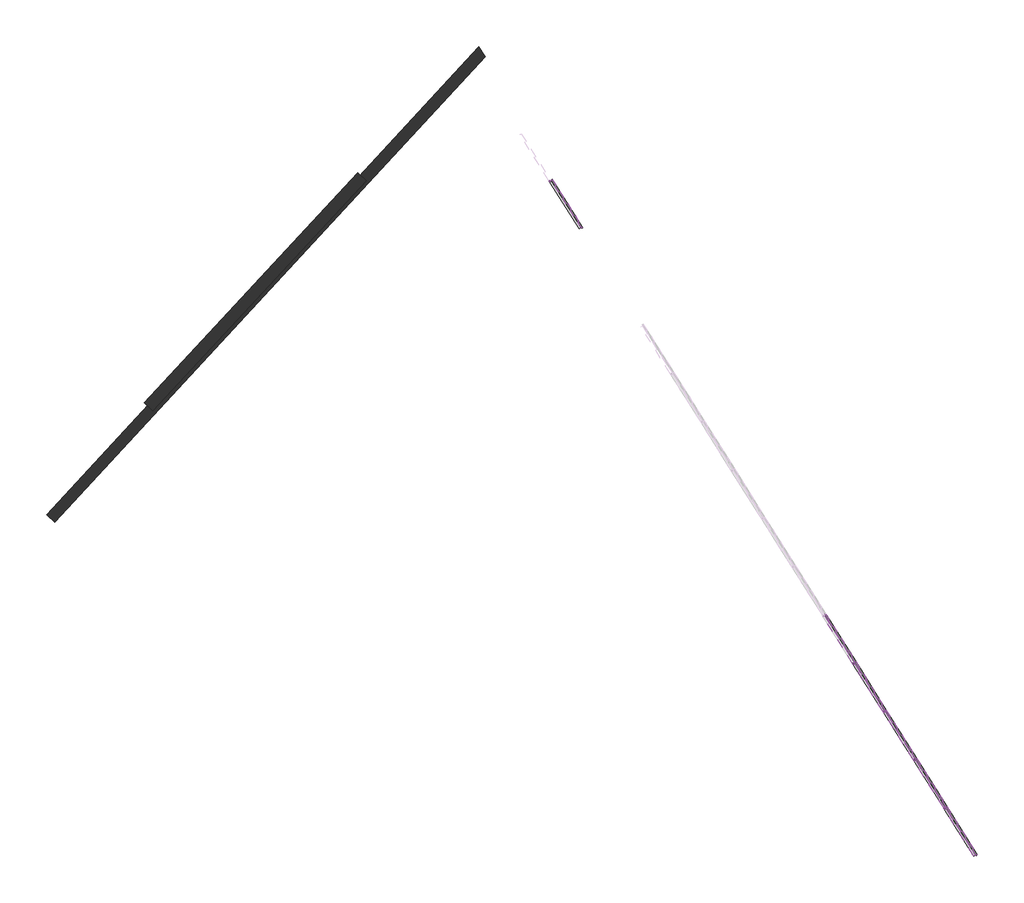
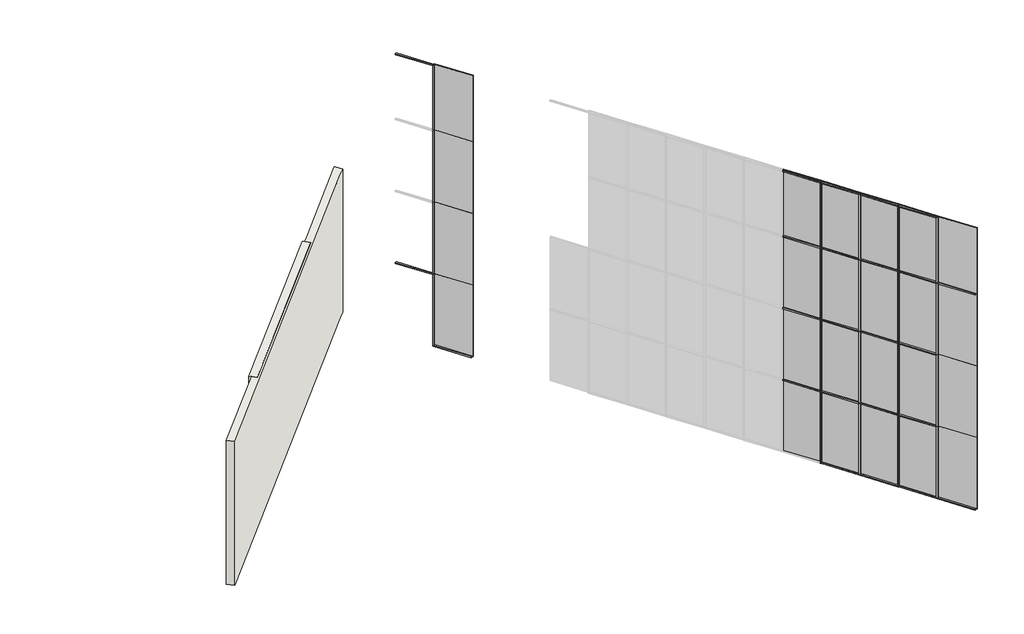
# One storey, part 3 of 36: 44 members, 24 plates, 2 walls.
"""IFC4 building model written with IfcOpenShell, lengths in millimetres."""

import ifcopenshell
import ifcopenshell.guid

model = None  # the IFC model being written
_history = None  # IfcOwnerHistory: only IFC2X3 demands one
_inside = {}  # id of a spatial element -> (the spatial element, [elements in it])
_under = {}  # id of a project, library or spatial element -> (it, [spatial elements below it])
_declared = {}  # id of a project -> (the project, [libraries it declares])
_typed = {}  # id of a type object -> (the type object, [elements of that type])
_made_of = {}  # id of a material, layer set ... -> (it, [elements and type objects made of it])


def new_model(schema):
    """Start an empty IFC model of exactly this schema.

    Asked for "IFC4X3", IfcOpenShell would pick the latest addendum, in which some entities
    have other attributes; the version numbers below select the first issue.
    IFC2X3 requires an IfcOwnerHistory on every rooted entity: one is made here for all.
    """
    global model, _history
    if schema == "IFC4X3":
        model = ifcopenshell.file(schema_version=(4, 3, 0, 0))
    else:
        model = ifcopenshell.file(schema=schema)
    _inside.clear()
    _under.clear()
    _declared.clear()
    _typed.clear()
    _made_of.clear()
    _history = None
    if model.schema == "IFC2X3":
        org = make("IfcOrganization", Name="unknown")
        user = make(
            "IfcPersonAndOrganization",
            ThePerson=make("IfcPerson", FamilyName="unknown"),
            TheOrganization=org,
        )
        app = make(
            "IfcApplication",
            ApplicationDeveloper=org,
            Version="unknown",
            ApplicationFullName="unknown",
            ApplicationIdentifier="unknown",
        )
        _history = make(
            "IfcOwnerHistory",
            OwningUser=user,
            OwningApplication=app,
            ChangeAction="ADDED",
            CreationDate=0,
        )
    return model


def make(cls, **values):
    """One entity of the class cls with the attributes given. An attribute that is None is left unset."""
    return model.create_entity(
        cls, **{name: value for name, value in values.items() if value is not None}
    )


def rooted(cls, **values):
    """An entity with a GlobalId (a new one), such as an element, a storey or a relation."""
    return make(cls, GlobalId=ifcopenshell.guid.new(), OwnerHistory=_history, **values)


def si_unit(unit_type, name, prefix=None):
    """IfcSIUnit, for example si_unit("LENGTHUNIT", "METRE", prefix="MILLI")."""
    return make("IfcSIUnit", UnitType=unit_type, Prefix=prefix, Name=name)


def assignment(units):
    """IfcUnitAssignment: the units of a project."""
    return None if units is None else make("IfcUnitAssignment", Units=units)


def point(xyz):
    """IfcCartesianPoint."""
    return None if xyz is None else make("IfcCartesianPoint", Coordinates=xyz)


def direction(xyz):
    """IfcDirection."""
    return None if xyz is None else make("IfcDirection", DirectionRatios=xyz)


def frame(location, z_axis=None, x_axis=None):
    """IfcAxis2Placement3D, a coordinate frame: its origin and axes. An axis left out is left unset."""
    return make(
        "IfcAxis2Placement3D",
        Location=point(location),
        Axis=direction(z_axis),
        RefDirection=direction(x_axis),
    )


def origin():
    """The frame at (0, 0, 0) with its axes left unset."""
    return frame((0.0, 0.0, 0.0))


def origin_with_axes():
    """The frame at (0, 0, 0) with the z axis (0, 0, 1) and the x axis (1, 0, 0) written out."""
    return frame((0.0, 0.0, 0.0), z_axis=(0.0, 0.0, 1.0), x_axis=(1.0, 0.0, 0.0))


def place(relative_to, where):
    """IfcLocalPlacement: puts the frame where relative to a parent placement (None: the world)."""
    return make(
        "IfcLocalPlacement", PlacementRelTo=relative_to, RelativePlacement=where
    )


def context(
    kind, dimensions, precision=None, world=None, true_north=None, identifier=None
):
    """IfcGeometricRepresentationContext, for example the 3D "Model" context."""
    return make(
        "IfcGeometricRepresentationContext",
        ContextIdentifier=identifier,
        ContextType=kind,
        CoordinateSpaceDimension=dimensions,
        Precision=precision,
        WorldCoordinateSystem=world,
        TrueNorth=true_north,
    )


def project(units=None, contexts=None):
    """IfcProject with its units and contexts."""
    return rooted(
        "IfcProject",
        Name="project",
        RepresentationContexts=contexts,
        UnitsInContext=assignment(units),
    )


def spatial(cls, under=None, at=None, **own):
    """A site, building, storey or space (cls), placed at a placement, below another one or the project."""
    s = rooted(cls, ObjectPlacement=at, **own)
    if under is not None:
        _under.setdefault(under.id(), (under, []))[1].append(s)
    return s


def polyline(points):
    """IfcPolyline through the points."""
    return make("IfcPolyline", Points=[point(p) for p in points])


def outline(outer, holes=None, kind="AREA"):
    """IfcArbitraryClosedProfileDef: a profile drawn as a closed curve; with holes, ...WithVoids."""
    if holes is None:
        return make("IfcArbitraryClosedProfileDef", ProfileType=kind, OuterCurve=outer)
    return make(
        "IfcArbitraryProfileDefWithVoids",
        ProfileType=kind,
        OuterCurve=outer,
        InnerCurves=holes,
    )


def extrude(swept, where, along, depth):
    """IfcExtrudedAreaSolid: the profile swept, set in the frame where, extruded along a direction by depth."""
    return make(
        "IfcExtrudedAreaSolid",
        SweptArea=swept,
        Position=where,
        ExtrudedDirection=direction(along),
        Depth=depth,
    )


def faces_of(points, faces, orient=None, outer=None):
    """IfcFace entities. A face is a list of loops; a loop is a list of indices into points, from 0.

    orient and outer hold one flag for each loop. By default every Orientation is true, the
    first loop of a face is its IfcFaceOuterBound and the others are IfcFaceBound.
    """
    made = []
    for i, loops in enumerate(faces):
        bounds = []
        for j, loop in enumerate(loops):
            is_outer = j == 0 if outer is None else outer[i][j]
            bounds.append(
                make(
                    "IfcFaceOuterBound" if is_outer else "IfcFaceBound",
                    Bound=make("IfcPolyLoop", Polygon=[points[k] for k in loop]),
                    Orientation=True if orient is None else orient[i][j],
                )
            )
        made.append(make("IfcFace", Bounds=bounds))
    return made


def faceted_brep(points, faces, orient=None, outer=None, voids=None):
    """IfcFacetedBrep: a solid bounded by flat faces; with voids (closed shells), ...WithVoids."""
    shared = [point(p) for p in points]
    hull = make("IfcClosedShell", CfsFaces=faces_of(shared, faces, orient, outer))
    if voids is None:
        return make("IfcFacetedBrep", Outer=hull)
    return make(
        "IfcFacetedBrepWithVoids",
        Outer=hull,
        Voids=[
            make(cls, CfsFaces=faces_of(shared, fs, o, b)) for cls, fs, o, b in voids
        ],
    )


def shape(context_of_items, identifier, shape_type, items):
    """IfcShapeRepresentation: the items that make up one representation, for example the "Body"."""
    return make(
        "IfcShapeRepresentation",
        ContextOfItems=context_of_items,
        RepresentationIdentifier=identifier,
        RepresentationType=shape_type,
        Items=items,
    )


def source(mapping_origin, context_of_items, identifier, shape_type, items):
    """IfcRepresentationMap: a shape defined once, which mapped items show again and again."""
    return make(
        "IfcRepresentationMap",
        MappingOrigin=mapping_origin,
        MappedRepresentation=shape(context_of_items, identifier, shape_type, items),
    )


def transform(
    local_origin,
    x_axis=None,
    y_axis=None,
    z_axis=None,
    scale=None,
    scale2=None,
    scale3=None,
    uniform=True,
):
    """IfcCartesianTransformationOperator3D, or its non-uniform kind. x_axis, y_axis, z_axis: its Axis1, 2, 3."""
    if uniform:
        return make(
            "IfcCartesianTransformationOperator3D",
            Axis1=direction(x_axis),
            Axis2=direction(y_axis),
            LocalOrigin=point(local_origin),
            Scale=scale,
            Axis3=direction(z_axis),
        )
    return make(
        "IfcCartesianTransformationOperator3DnonUniform",
        Axis1=direction(x_axis),
        Axis2=direction(y_axis),
        LocalOrigin=point(local_origin),
        Scale=scale,
        Axis3=direction(z_axis),
        Scale2=scale2,
        Scale3=scale3,
    )


def mapped(mapping_source, mapping_target):
    """IfcMappedItem: shows the shape of a source again, moved by a transform."""
    return make(
        "IfcMappedItem", MappingSource=mapping_source, MappingTarget=mapping_target
    )


def made_of(thing, what):
    """Note that an element or type object is made of a material, layer set ...; save() writes the relation."""
    if what is not None:
        _made_of.setdefault(what.id(), (what, []))[1].append(thing)
    return thing


def element(
    cls,
    number,
    at=None,
    inside=None,
    cuts=None,
    type_object=None,
    material=None,
    context=None,
    identifier="Body",
    shape_type=None,
    held_by="IfcProductDefinitionShape",
    body=None,
    shapes=None,
    **own,
):
    """One element of the class cls, such as IfcWall. Its Tag is "e" and its number.

    at: its placement. inside: the storey or other place that contains it. cuts: it is an
    opening in that element (IfcRelVoidsElement). A single representation is given by context,
    identifier, shape_type and body (its items); several are given by shapes. held_by: the class
    of the entity that holds the representations. save() writes the other relations.
    """
    e = rooted(cls, Tag="e%d" % number, ObjectPlacement=at, **own)
    if body is not None:
        shapes = [shape(context, identifier, shape_type, body)]
    if shapes is not None:
        e.Representation = make(held_by, Representations=shapes)
    if inside is not None:
        _inside.setdefault(inside.id(), (inside, []))[1].append(e)
    if cuts is not None:
        rooted(
            "IfcRelVoidsElement", RelatingBuildingElement=cuts, RelatedOpeningElement=e
        )
    if type_object is not None:
        _typed.setdefault(type_object.id(), (type_object, []))[1].append(e)
    return made_of(e, material)


def aggregate(whole, parts):
    """IfcRelAggregates: a whole, such as a stair, and the parts it consists of."""
    return rooted("IfcRelAggregates", RelatingObject=whole, RelatedObjects=parts)


def save(model, path):
    """Write the relations noted so far, then the file.

    IfcRelAggregates (storeys below a building ...), IfcRelContainedInSpatialStructure (elements
    in a storey), IfcRelDefinesByType, IfcRelAssociatesMaterial and IfcRelDeclares: one each for
    every whole, place, type object, material and project.
    """
    for whole, parts in _under.values():
        aggregate(whole, parts)
    for where, things in _inside.values():
        rooted(
            "IfcRelContainedInSpatialStructure",
            RelatedElements=things,
            RelatingStructure=where,
        )
    for kind, things in _typed.values():
        rooted("IfcRelDefinesByType", RelatedObjects=things, RelatingType=kind)
    for what, things in _made_of.values():
        rooted("IfcRelAssociatesMaterial", RelatedObjects=things, RelatingMaterial=what)
    for by, libraries in _declared.values():
        rooted("IfcRelDeclares", RelatingContext=by, RelatedDefinitions=libraries)
    model.write(path)


def rectangular_mullion_30mm_square_1a264fd7(model_context):
    return source(origin(), model_context, "Body", "SweptSolid", [
        extrude(outline(polyline([(15.0, 15.0), (15.0, -15.0), (-15.0, -15.0), (-15.0, 15.0), (15.0, 15.0)])), frame((0.0, 0.0, -2000.0), z_axis=(0.0, 0.0, 1.0), x_axis=(1.0, 0.0, 0.0)), (0.0, 0.0, 1.0), 2000.0),
    ])


def rectangular_mullion_30mm_square_91e58ac2(model_context):
    return source(origin(), model_context, "Body", "SweptSolid", [
        extrude(outline(polyline([(15.0, 15.0), (15.0, -15.0), (-15.0, -15.0), (-15.0, 15.0), (15.0, 15.0)])), frame((0.0, 0.0, -1830.508389), z_axis=(0.0, 0.0, 1.0), x_axis=(1.0, 0.0, 0.0)), (0.0, 0.0, 1.0), 1830.508389),
    ])


def rectangular_mullion_30mm_square_7b7a56d5(model_context):
    return source(origin(), model_context, "Body", "SweptSolid", [
        extrude(outline(polyline([(0.0, 15.0), (0.0, -15.0), (-30.0, -15.0), (-30.0, 15.0), (0.0, 15.0)])), frame((0.0, 0.0, -954.0188131), z_axis=(0.0, 0.0, 1.0), x_axis=(1.0, 0.0, 0.0)), (0.0, 0.0, 1.0), 954.0188131),
    ])


def rectangular_mullion_30mm_square_c7103466(model_context):
    return source(origin(), model_context, "Body", "SweptSolid", [
        extrude(outline(polyline([(0.0, 15.0), (0.0, -15.0), (-30.0, -15.0), (-30.0, 15.0), (0.0, 15.0)])), frame((0.0, 0.0, -969.0188131), z_axis=(0.0, 0.0, 1.0), x_axis=(1.0, 0.0, 0.0)), (0.0, 0.0, 1.0), 969.0188131),
    ])


def rectangular_mullion_30mm_square_0cb5213b(model_context):
    return source(origin(), model_context, "Body", "SweptSolid", [
        extrude(outline(polyline([(15.0, 15.0), (15.0, -15.0), (-15.0, -15.0), (-15.0, 15.0), (15.0, 15.0)])), frame((0.0, 0.0, -954.0188131), z_axis=(0.0, 0.0, 1.0), x_axis=(1.0, 0.0, 0.0)), (0.0, 0.0, 1.0), 954.0188131),
    ])


def rectangular_mullion_30mm_square_aed851f2(model_context):
    return source(origin(), model_context, "Body", "SweptSolid", [
        extrude(outline(polyline([(15.0, 15.0), (15.0, -15.0), (-15.0, -15.0), (-15.0, 15.0), (15.0, 15.0)])), frame((0.0, 0.0, -969.0188131), z_axis=(0.0, 0.0, 1.0), x_axis=(1.0, 0.0, 0.0)), (0.0, 0.0, 1.0), 969.0188131),
    ])


def system_panel_glazed_fd864b26(model_context):
    return source(origin(), model_context, "Body", "SweptSolid", [
        extrude(outline(polyline([(499.5094065, 24.5), (-499.5094065, 24.5), (-499.5094065, 49.5), (499.5094065, 49.5), (499.5094065, 24.5)])), origin_with_axes(), (0.0, 0.0, 1.0), 2000.0),
    ])


def system_panel_glazed_04054942(model_context):
    return source(origin(), model_context, "Body", "SweptSolid", [
        extrude(outline(polyline([(499.5094065, 24.5), (-499.5094065, 24.5), (-499.5094065, 49.5), (499.5094065, 49.5), (499.5094065, 24.5)])), origin_with_axes(), (0.0, 0.0, 1.0), 1830.508389),
    ])


model = new_model("IFC4")

# Units and contexts
model_context = context("Model", 3, world=origin())
ifc_project = project(units=[si_unit("LENGTHUNIT", "METRE", prefix="MILLI")], contexts=[model_context])

# Site, building, storey
site = spatial("IfcSite", under=ifc_project)
building = spatial("IfcBuilding", under=site)
storey = spatial("IfcBuildingStorey", under=building, Elevation=8680.0)

# Members
placement = place(None, origin())
rectangular_mullion_30mm_square_shape = rectangular_mullion_30mm_square_1a264fd7(model_context)
element("IfcMember", 1, ObjectType="Rectangular Mullion : 30mm Square", at=placement, inside=storey, context=model_context, shape_type="MappedRepresentation", body=[
    mapped(rectangular_mullion_30mm_square_shape, transform((-216353.3182741, -343.0017182, 8680.0), x_axis=(0.5325147689769961, -0.846420711479449, 0.0), y_axis=(-0.846420711479449, -0.5325147689769961, 0.0), z_axis=(0.0, 0.0, -1.0))),
])
element("IfcMember", 2, ObjectType="Rectangular Mullion : 30mm Square", at=placement, inside=storey, context=model_context, shape_type="MappedRepresentation", body=[
    mapped(rectangular_mullion_30mm_square_shape, transform((-211033.3955498, -8798.9038635, 8680.0), x_axis=(0.5325147689769961, -0.846420711479449, 0.0), y_axis=(-0.846420711479449, -0.5325147689769961, 0.0), z_axis=(0.0, 0.0, -1.0))),
])
element("IfcMember", 3, ObjectType="Rectangular Mullion : 30mm Square", at=placement, inside=storey, context=model_context, shape_type="MappedRepresentation", body=[
    mapped(rectangular_mullion_30mm_square_shape, transform((-210501.4032773, -9644.494078, 8680.0), x_axis=(0.5325147689769961, -0.846420711479449, 0.0), y_axis=(-0.846420711479449, -0.5325147689769961, 0.0), z_axis=(0.0, 0.0, -1.0))),
])
element("IfcMember", 4, ObjectType="Rectangular Mullion : 30mm Square", at=placement, inside=storey, context=model_context, shape_type="MappedRepresentation", body=[
    mapped(rectangular_mullion_30mm_square_shape, transform((-209969.4110049, -10490.0842926, 8680.0), x_axis=(0.5325147689769961, -0.846420711479449, 0.0), y_axis=(-0.846420711479449, -0.5325147689769961, 0.0), z_axis=(0.0, 0.0, -1.0))),
])
element("IfcMember", 5, ObjectType="Rectangular Mullion : 30mm Square", at=placement, inside=storey, context=model_context, shape_type="MappedRepresentation", body=[
    mapped(rectangular_mullion_30mm_square_shape, transform((-209437.4187324, -11335.6745071, 8680.0), x_axis=(0.5325147689769961, -0.846420711479449, 0.0), y_axis=(-0.846420711479449, -0.5325147689769961, 0.0), z_axis=(0.0, 0.0, -1.0))),
])
rectangular_mullion_30mm_square_2_shape = rectangular_mullion_30mm_square_91e58ac2(model_context)
element("IfcMember", 6, ObjectType="Rectangular Mullion : 30mm Square", at=placement, inside=storey, context=model_context, shape_type="MappedRepresentation", body=[
    mapped(rectangular_mullion_30mm_square_2_shape, transform((-216353.3182741, -343.0017182, 14680.0), x_axis=(0.5325147689769961, -0.846420711479449, 0.0), y_axis=(-0.846420711479449, -0.5325147689769961, 0.0), z_axis=(0.0, 0.0, -1.0))),
])
element("IfcMember", 7, ObjectType="Rectangular Mullion : 30mm Square", at=placement, inside=storey, context=model_context, shape_type="MappedRepresentation", body=[
    mapped(rectangular_mullion_30mm_square_2_shape, transform((-211033.3955498, -8798.9038635, 14680.0), x_axis=(0.5325147689769961, -0.846420711479449, 0.0), y_axis=(-0.846420711479449, -0.5325147689769961, 0.0), z_axis=(0.0, 0.0, -1.0))),
])
element("IfcMember", 8, ObjectType="Rectangular Mullion : 30mm Square", at=placement, inside=storey, context=model_context, shape_type="MappedRepresentation", body=[
    mapped(rectangular_mullion_30mm_square_2_shape, transform((-210501.4032773, -9644.494078, 14680.0), x_axis=(0.5325147689769961, -0.846420711479449, 0.0), y_axis=(-0.846420711479449, -0.5325147689769961, 0.0), z_axis=(0.0, 0.0, -1.0))),
])
element("IfcMember", 9, ObjectType="Rectangular Mullion : 30mm Square", at=placement, inside=storey, context=model_context, shape_type="MappedRepresentation", body=[
    mapped(rectangular_mullion_30mm_square_2_shape, transform((-209969.4110049, -10490.0842926, 14680.0), x_axis=(0.5325147689769961, -0.846420711479449, 0.0), y_axis=(-0.846420711479449, -0.5325147689769961, 0.0), z_axis=(0.0, 0.0, -1.0))),
])
element("IfcMember", 10, ObjectType="Rectangular Mullion : 30mm Square", at=placement, inside=storey, context=model_context, shape_type="MappedRepresentation", body=[
    mapped(rectangular_mullion_30mm_square_2_shape, transform((-209437.4187324, -11335.6745071, 14680.0), x_axis=(0.5325147689769961, -0.846420711479449, 0.0), y_axis=(-0.846420711479449, -0.5325147689769961, 0.0), z_axis=(0.0, 0.0, -1.0))),
])
element("IfcMember", 11, ObjectType="Rectangular Mullion : 30mm Square", at=placement, inside=storey, context=model_context, shape_type="MappedRepresentation", body=[
    mapped(rectangular_mullion_30mm_square_shape, transform((-216353.3182741, -343.0017182, 10680.0), x_axis=(0.5325147689769961, -0.846420711479449, 0.0), y_axis=(-0.846420711479449, -0.5325147689769961, 0.0), z_axis=(0.0, 0.0, -1.0))),
])
element("IfcMember", 12, ObjectType="Rectangular Mullion : 30mm Square", at=placement, inside=storey, context=model_context, shape_type="MappedRepresentation", body=[
    mapped(rectangular_mullion_30mm_square_shape, transform((-211033.3955498, -8798.9038635, 10680.0), x_axis=(0.5325147689769961, -0.846420711479449, 0.0), y_axis=(-0.846420711479449, -0.5325147689769961, 0.0), z_axis=(0.0, 0.0, -1.0))),
])
element("IfcMember", 13, ObjectType="Rectangular Mullion : 30mm Square", at=placement, inside=storey, context=model_context, shape_type="MappedRepresentation", body=[
    mapped(rectangular_mullion_30mm_square_shape, transform((-210501.4032773, -9644.494078, 10680.0), x_axis=(0.5325147689769961, -0.846420711479449, 0.0), y_axis=(-0.846420711479449, -0.5325147689769961, 0.0), z_axis=(0.0, 0.0, -1.0))),
])
element("IfcMember", 14, ObjectType="Rectangular Mullion : 30mm Square", at=placement, inside=storey, context=model_context, shape_type="MappedRepresentation", body=[
    mapped(rectangular_mullion_30mm_square_shape, transform((-209969.4110049, -10490.0842926, 10680.0), x_axis=(0.5325147689769961, -0.846420711479449, 0.0), y_axis=(-0.846420711479449, -0.5325147689769961, 0.0), z_axis=(0.0, 0.0, -1.0))),
])
element("IfcMember", 15, ObjectType="Rectangular Mullion : 30mm Square", at=placement, inside=storey, context=model_context, shape_type="MappedRepresentation", body=[
    mapped(rectangular_mullion_30mm_square_shape, transform((-209437.4187324, -11335.6745071, 10680.0), x_axis=(0.5325147689769961, -0.846420711479449, 0.0), y_axis=(-0.846420711479449, -0.5325147689769961, 0.0), z_axis=(0.0, 0.0, -1.0))),
])
element("IfcMember", 16, ObjectType="Rectangular Mullion : 30mm Square", at=placement, inside=storey, context=model_context, shape_type="MappedRepresentation", body=[
    mapped(rectangular_mullion_30mm_square_shape, transform((-216353.3182741, -343.0017182, 12680.0), x_axis=(0.5325147689769961, -0.846420711479449, 0.0), y_axis=(-0.846420711479449, -0.5325147689769961, 0.0), z_axis=(0.0, 0.0, -1.0))),
])
element("IfcMember", 17, ObjectType="Rectangular Mullion : 30mm Square", at=placement, inside=storey, context=model_context, shape_type="MappedRepresentation", body=[
    mapped(rectangular_mullion_30mm_square_shape, transform((-211033.3955498, -8798.9038635, 12680.0), x_axis=(0.5325147689769961, -0.846420711479449, 0.0), y_axis=(-0.846420711479449, -0.5325147689769961, 0.0), z_axis=(0.0, 0.0, -1.0))),
])
element("IfcMember", 18, ObjectType="Rectangular Mullion : 30mm Square", at=placement, inside=storey, context=model_context, shape_type="MappedRepresentation", body=[
    mapped(rectangular_mullion_30mm_square_shape, transform((-210501.4032773, -9644.494078, 12680.0), x_axis=(0.5325147689769961, -0.846420711479449, 0.0), y_axis=(-0.846420711479449, -0.5325147689769961, 0.0), z_axis=(0.0, 0.0, -1.0))),
])
element("IfcMember", 19, ObjectType="Rectangular Mullion : 30mm Square", at=placement, inside=storey, context=model_context, shape_type="MappedRepresentation", body=[
    mapped(rectangular_mullion_30mm_square_shape, transform((-209969.4110049, -10490.0842926, 12680.0), x_axis=(0.5325147689769961, -0.846420711479449, 0.0), y_axis=(-0.846420711479449, -0.5325147689769961, 0.0), z_axis=(0.0, 0.0, -1.0))),
])
element("IfcMember", 20, ObjectType="Rectangular Mullion : 30mm Square", at=placement, inside=storey, context=model_context, shape_type="MappedRepresentation", body=[
    mapped(rectangular_mullion_30mm_square_shape, transform((-209437.4187324, -11335.6745071, 12680.0), x_axis=(0.5325147689769961, -0.846420711479449, 0.0), y_axis=(-0.846420711479449, -0.5325147689769961, 0.0), z_axis=(0.0, 0.0, -1.0))),
])
rectangular_mullion_30mm_square_3_shape = rectangular_mullion_30mm_square_7b7a56d5(model_context)
element("IfcMember", 21, ObjectType="Rectangular Mullion : 30mm Square", at=placement, inside=storey, context=model_context, shape_type="MappedRepresentation", body=[
    mapped(rectangular_mullion_30mm_square_3_shape, transform((-216361.3059957, -330.3054076, 16510.508389), x_axis=(0.0, 0.0, 1.0), y_axis=(-0.8464207114794449, -0.5325147689770025, 0.0), z_axis=(0.5325147689770025, -0.8464207114794449, 0.0))),
])
rectangular_mullion_30mm_square_4_shape = rectangular_mullion_30mm_square_c7103466(model_context)
element("IfcMember", 22, ObjectType="Rectangular Mullion : 30mm Square", at=placement, inside=storey, context=model_context, shape_type="MappedRepresentation", body=[
    mapped(rectangular_mullion_30mm_square_4_shape, transform((-211041.3832713, -8786.2075528, 16510.508389), x_axis=(0.0, 0.0, 1.0), y_axis=(-0.846420711479448, -0.5325147689769978, 0.0), z_axis=(0.5325147689769977, -0.8464207114794479, 0.0))),
])
element("IfcMember", 23, ObjectType="Rectangular Mullion : 30mm Square", at=placement, inside=storey, context=model_context, shape_type="MappedRepresentation", body=[
    mapped(rectangular_mullion_30mm_square_4_shape, transform((-210509.3909989, -9631.7977674, 16510.508389), x_axis=(0.0, 0.0, 1.0), y_axis=(-0.8464207114794455, -0.5325147689770016, 0.0), z_axis=(0.5325147689770016, -0.8464207114794455, 0.0))),
])
element("IfcMember", 24, ObjectType="Rectangular Mullion : 30mm Square", at=placement, inside=storey, context=model_context, shape_type="MappedRepresentation", body=[
    mapped(rectangular_mullion_30mm_square_4_shape, transform((-209977.3987264, -10477.3879819, 16510.508389), x_axis=(0.0, 0.0, 1.0), y_axis=(-0.8464207114794534, -0.5325147689769889, 0.0), z_axis=(0.5325147689769889, -0.8464207114794534, 0.0))),
])
element("IfcMember", 25, ObjectType="Rectangular Mullion : 30mm Square", at=placement, inside=storey, context=model_context, shape_type="MappedRepresentation", body=[
    mapped(rectangular_mullion_30mm_square_4_shape, transform((-209445.406454, -11322.9781964, 16510.508389), x_axis=(0.0, 0.0, 1.0), y_axis=(-0.8464207114794468, -0.5325147689769997, 0.0), z_axis=(0.5325147689769996, -0.8464207114794466, 0.0))),
])
element("IfcMember", 26, ObjectType="Rectangular Mullion : 30mm Square", at=placement, inside=storey, context=model_context, shape_type="MappedRepresentation", body=[
    mapped(rectangular_mullion_30mm_square_4_shape, transform((-216345.3305526, -355.6980289, 8680.0), x_axis=(0.0, 0.0, -1.0), y_axis=(-0.8464207114794534, -0.5325147689769889, 0.0), z_axis=(-0.5325147689769889, 0.8464207114794534, 0.0))),
])
element("IfcMember", 27, ObjectType="Rectangular Mullion : 30mm Square", at=placement, inside=storey, context=model_context, shape_type="MappedRepresentation", body=[
    mapped(rectangular_mullion_30mm_square_4_shape, transform((-211025.4078282, -8811.6001742, 8680.0), x_axis=(0.0, 0.0, -1.0), y_axis=(-0.8464207114794461, -0.5325147689770006, 0.0), z_axis=(-0.5325147689770006, 0.8464207114794461, 0.0))),
])
element("IfcMember", 28, ObjectType="Rectangular Mullion : 30mm Square", at=placement, inside=storey, context=model_context, shape_type="MappedRepresentation", body=[
    mapped(rectangular_mullion_30mm_square_4_shape, transform((-210493.4155558, -9657.1903887, 8680.0), x_axis=(0.0, 0.0, -1.0), y_axis=(-0.8464207114794534, -0.5325147689769889, 0.0), z_axis=(-0.5325147689769889, 0.8464207114794534, 0.0))),
])
element("IfcMember", 29, ObjectType="Rectangular Mullion : 30mm Square", at=placement, inside=storey, context=model_context, shape_type="MappedRepresentation", body=[
    mapped(rectangular_mullion_30mm_square_4_shape, transform((-209961.4232834, -10502.7806032, 8680.0), x_axis=(0.0, 0.0, -1.0), y_axis=(-0.8464207114794473, -0.5325147689769987, 0.0), z_axis=(-0.5325147689769987, 0.8464207114794473, 0.0))),
])
element("IfcMember", 30, ObjectType="Rectangular Mullion : 30mm Square", at=placement, inside=storey, context=model_context, shape_type="MappedRepresentation", body=[
    mapped(rectangular_mullion_30mm_square_4_shape, transform((-209429.4310109, -11348.3708178, 8680.0), x_axis=(0.0, 0.0, -1.0), y_axis=(-0.8464207114794449, -0.5325147689770026, 0.0), z_axis=(-0.5325147689770026, 0.8464207114794449, 0.0))),
])
rectangular_mullion_30mm_square_5_shape = rectangular_mullion_30mm_square_0cb5213b(model_context)
element("IfcMember", 31, ObjectType="Rectangular Mullion : 30mm Square", at=placement, inside=storey, context=model_context, shape_type="MappedRepresentation", body=[
    mapped(rectangular_mullion_30mm_square_5_shape, transform((-216361.3059957, -330.3054076, 10680.0), x_axis=(0.0, 0.0, 1.0), y_axis=(-0.8464207114794454, -0.5325147689770016, 0.0), z_axis=(0.5325147689770016, -0.8464207114794454, 0.0))),
])
rectangular_mullion_30mm_square_6_shape = rectangular_mullion_30mm_square_aed851f2(model_context)
element("IfcMember", 32, ObjectType="Rectangular Mullion : 30mm Square", at=placement, inside=storey, context=model_context, shape_type="MappedRepresentation", body=[
    mapped(rectangular_mullion_30mm_square_6_shape, transform((-211041.3832713, -8786.2075528, 10680.0), x_axis=(0.0, 0.0, 1.0), y_axis=(-0.8464207114794473, -0.5325147689769987, 0.0), z_axis=(0.5325147689769987, -0.8464207114794473, 0.0))),
])
element("IfcMember", 33, ObjectType="Rectangular Mullion : 30mm Square", at=placement, inside=storey, context=model_context, shape_type="MappedRepresentation", body=[
    mapped(rectangular_mullion_30mm_square_6_shape, transform((-210509.3909989, -9631.7977674, 10680.0), x_axis=(0.0, 0.0, 1.0), y_axis=(-0.8464207114794461, -0.5325147689770006, 0.0), z_axis=(0.5325147689770006, -0.8464207114794461, 0.0))),
])
element("IfcMember", 34, ObjectType="Rectangular Mullion : 30mm Square", at=placement, inside=storey, context=model_context, shape_type="MappedRepresentation", body=[
    mapped(rectangular_mullion_30mm_square_6_shape, transform((-209977.3987264, -10477.3879819, 10680.0), x_axis=(0.0, 0.0, 1.0), y_axis=(-0.8464207114794534, -0.5325147689769889, 0.0), z_axis=(0.5325147689769889, -0.8464207114794534, 0.0))),
])
element("IfcMember", 35, ObjectType="Rectangular Mullion : 30mm Square", at=placement, inside=storey, context=model_context, shape_type="MappedRepresentation", body=[
    mapped(rectangular_mullion_30mm_square_6_shape, transform((-209445.406454, -11322.9781964, 10680.0), x_axis=(0.0, 0.0, 1.0), y_axis=(-0.8464207114794473, -0.5325147689769987, 0.0), z_axis=(0.5325147689769987, -0.8464207114794473, 0.0))),
])
element("IfcMember", 36, ObjectType="Rectangular Mullion : 30mm Square", at=placement, inside=storey, context=model_context, shape_type="MappedRepresentation", body=[
    mapped(rectangular_mullion_30mm_square_6_shape, transform((-211041.3832713, -8786.2075528, 12680.0), x_axis=(0.0, 0.0, 1.0), y_axis=(-0.8464207114794471, -0.5325147689769991, 0.0), z_axis=(0.5325147689769991, -0.8464207114794471, 0.0))),
])
element("IfcMember", 37, ObjectType="Rectangular Mullion : 30mm Square", at=placement, inside=storey, context=model_context, shape_type="MappedRepresentation", body=[
    mapped(rectangular_mullion_30mm_square_6_shape, transform((-210509.3909989, -9631.7977674, 12680.0), x_axis=(0.0, 0.0, 1.0), y_axis=(-0.8464207114794461, -0.5325147689770006, 0.0), z_axis=(0.5325147689770006, -0.8464207114794461, 0.0))),
])
element("IfcMember", 38, ObjectType="Rectangular Mullion : 30mm Square", at=placement, inside=storey, context=model_context, shape_type="MappedRepresentation", body=[
    mapped(rectangular_mullion_30mm_square_6_shape, transform((-209977.3987264, -10477.3879819, 12680.0), x_axis=(0.0, 0.0, 1.0), y_axis=(-0.8464207114794534, -0.5325147689769889, 0.0), z_axis=(0.5325147689769889, -0.8464207114794534, 0.0))),
])
element("IfcMember", 39, ObjectType="Rectangular Mullion : 30mm Square", at=placement, inside=storey, context=model_context, shape_type="MappedRepresentation", body=[
    mapped(rectangular_mullion_30mm_square_6_shape, transform((-209445.406454, -11322.9781964, 12680.0), x_axis=(0.0, 0.0, 1.0), y_axis=(-0.8464207114794473, -0.5325147689769987, 0.0), z_axis=(0.5325147689769987, -0.8464207114794473, 0.0))),
])
element("IfcMember", 40, ObjectType="Rectangular Mullion : 30mm Square", at=placement, inside=storey, context=model_context, shape_type="MappedRepresentation", body=[
    mapped(rectangular_mullion_30mm_square_6_shape, transform((-211041.3832713, -8786.2075528, 14680.0), x_axis=(0.0, 0.0, 1.0), y_axis=(-0.8464207114794471, -0.5325147689769991, 0.0), z_axis=(0.5325147689769991, -0.8464207114794471, 0.0))),
])
element("IfcMember", 41, ObjectType="Rectangular Mullion : 30mm Square", at=placement, inside=storey, context=model_context, shape_type="MappedRepresentation", body=[
    mapped(rectangular_mullion_30mm_square_6_shape, transform((-210509.3909989, -9631.7977674, 14680.0), x_axis=(0.0, 0.0, 1.0), y_axis=(-0.8464207114794461, -0.5325147689770006, 0.0), z_axis=(0.5325147689770006, -0.8464207114794461, 0.0))),
])
element("IfcMember", 42, ObjectType="Rectangular Mullion : 30mm Square", at=placement, inside=storey, context=model_context, shape_type="MappedRepresentation", body=[
    mapped(rectangular_mullion_30mm_square_6_shape, transform((-209977.3987264, -10477.3879819, 14680.0), x_axis=(0.0, 0.0, 1.0), y_axis=(-0.8464207114794534, -0.5325147689769889, 0.0), z_axis=(0.5325147689769889, -0.8464207114794534, 0.0))),
])
element("IfcMember", 43, ObjectType="Rectangular Mullion : 30mm Square", at=placement, inside=storey, context=model_context, shape_type="MappedRepresentation", body=[
    mapped(rectangular_mullion_30mm_square_6_shape, transform((-209445.406454, -11322.9781964, 14680.0), x_axis=(0.0, 0.0, 1.0), y_axis=(-0.8464207114794473, -0.5325147689769987, 0.0), z_axis=(0.5325147689769987, -0.8464207114794473, 0.0))),
])
element("IfcMember", 44, ObjectType="Rectangular Mullion : 30mm Square", at=placement, inside=storey, context=model_context, shape_type="MappedRepresentation", body=[
    mapped(rectangular_mullion_30mm_square_6_shape, transform((-208913.4141815, -12168.5684109, 14680.0), x_axis=(0.0, 0.0, 1.0), y_axis=(-0.8464207114794455, -0.5325147689770016, 0.0), z_axis=(0.5325147689770016, -0.8464207114794455, 0.0))),
])

# Plates
system_panel_glazed_shape = system_panel_glazed_fd864b26(model_context)
element("IfcPlate", 45, ObjectType="System Panel : Glazed", at=placement, inside=storey, context=model_context, shape_type="MappedRepresentation", body=[
    mapped(system_panel_glazed_shape, transform((-216087.3221379, -765.7968255, 8680.0), x_axis=(0.5325147689769961, -0.846420711479449, 0.0), y_axis=(0.846420711479449, 0.5325147689769961, 0.0), z_axis=(0.0, 0.0, 1.0))),
])
element("IfcPlate", 46, ObjectType="System Panel : Glazed", at=placement, inside=storey, context=model_context, shape_type="MappedRepresentation", body=[
    mapped(system_panel_glazed_shape, transform((-211299.391686, -8376.1087562, 8680.0), x_axis=(0.5325147689769961, -0.846420711479449, 0.0), y_axis=(0.846420711479449, 0.5325147689769961, 0.0), z_axis=(0.0, 0.0, 1.0))),
])
element("IfcPlate", 47, ObjectType="System Panel : Glazed", at=placement, inside=storey, context=model_context, shape_type="MappedRepresentation", body=[
    mapped(system_panel_glazed_shape, transform((-210767.3994135, -9221.6989708, 8680.0), x_axis=(0.5325147689769961, -0.846420711479449, 0.0), y_axis=(0.846420711479449, 0.5325147689769961, 0.0), z_axis=(0.0, 0.0, 1.0))),
])
element("IfcPlate", 48, ObjectType="System Panel : Glazed", at=placement, inside=storey, context=model_context, shape_type="MappedRepresentation", body=[
    mapped(system_panel_glazed_shape, transform((-210235.4071411, -10067.2891853, 8680.0), x_axis=(0.5325147689769961, -0.846420711479449, 0.0), y_axis=(0.846420711479449, 0.5325147689769961, 0.0), z_axis=(0.0, 0.0, 1.0))),
])
element("IfcPlate", 49, ObjectType="System Panel : Glazed", at=placement, inside=storey, context=model_context, shape_type="MappedRepresentation", body=[
    mapped(system_panel_glazed_shape, transform((-209703.4148687, -10912.8793998, 8680.0), x_axis=(0.5325147689769961, -0.846420711479449, 0.0), y_axis=(0.846420711479449, 0.5325147689769961, 0.0), z_axis=(0.0, 0.0, 1.0))),
])
element("IfcPlate", 50, ObjectType="System Panel : Glazed", at=placement, inside=storey, context=model_context, shape_type="MappedRepresentation", body=[
    mapped(system_panel_glazed_shape, transform((-209171.4225962, -11758.4696144, 8680.0), x_axis=(0.5325147689769961, -0.846420711479449, 0.0), y_axis=(0.846420711479449, 0.5325147689769961, 0.0), z_axis=(0.0, 0.0, 1.0))),
])
element("IfcPlate", 51, ObjectType="System Panel : Glazed", at=placement, inside=storey, context=model_context, shape_type="MappedRepresentation", body=[
    mapped(system_panel_glazed_shape, transform((-216087.3221379, -765.7968255, 10680.0), x_axis=(0.5325147689769961, -0.846420711479449, 0.0), y_axis=(0.846420711479449, 0.5325147689769961, 0.0), z_axis=(0.0, 0.0, 1.0))),
])
element("IfcPlate", 52, ObjectType="System Panel : Glazed", at=placement, inside=storey, context=model_context, shape_type="MappedRepresentation", body=[
    mapped(system_panel_glazed_shape, transform((-211299.391686, -8376.1087562, 10680.0), x_axis=(0.5325147689769961, -0.846420711479449, 0.0), y_axis=(0.846420711479449, 0.5325147689769961, 0.0), z_axis=(0.0, 0.0, 1.0))),
])
element("IfcPlate", 53, ObjectType="System Panel : Glazed", at=placement, inside=storey, context=model_context, shape_type="MappedRepresentation", body=[
    mapped(system_panel_glazed_shape, transform((-210767.3994135, -9221.6989708, 10680.0), x_axis=(0.5325147689769961, -0.846420711479449, 0.0), y_axis=(0.846420711479449, 0.5325147689769961, 0.0), z_axis=(0.0, 0.0, 1.0))),
])
element("IfcPlate", 54, ObjectType="System Panel : Glazed", at=placement, inside=storey, context=model_context, shape_type="MappedRepresentation", body=[
    mapped(system_panel_glazed_shape, transform((-210235.4071411, -10067.2891853, 10680.0), x_axis=(0.5325147689769961, -0.846420711479449, 0.0), y_axis=(0.846420711479449, 0.5325147689769961, 0.0), z_axis=(0.0, 0.0, 1.0))),
])
element("IfcPlate", 55, ObjectType="System Panel : Glazed", at=placement, inside=storey, context=model_context, shape_type="MappedRepresentation", body=[
    mapped(system_panel_glazed_shape, transform((-209703.4148687, -10912.8793998, 10680.0), x_axis=(0.5325147689769961, -0.846420711479449, 0.0), y_axis=(0.846420711479449, 0.5325147689769961, 0.0), z_axis=(0.0, 0.0, 1.0))),
])
element("IfcPlate", 56, ObjectType="System Panel : Glazed", at=placement, inside=storey, context=model_context, shape_type="MappedRepresentation", body=[
    mapped(system_panel_glazed_shape, transform((-209171.4225962, -11758.4696144, 10680.0), x_axis=(0.5325147689769961, -0.846420711479449, 0.0), y_axis=(0.846420711479449, 0.5325147689769961, 0.0), z_axis=(0.0, 0.0, 1.0))),
])
element("IfcPlate", 57, ObjectType="System Panel : Glazed", at=placement, inside=storey, context=model_context, shape_type="MappedRepresentation", body=[
    mapped(system_panel_glazed_shape, transform((-216087.3221379, -765.7968255, 12680.0), x_axis=(0.5325147689769961, -0.846420711479449, 0.0), y_axis=(0.846420711479449, 0.5325147689769961, 0.0), z_axis=(0.0, 0.0, 1.0))),
])
element("IfcPlate", 58, ObjectType="System Panel : Glazed", at=placement, inside=storey, context=model_context, shape_type="MappedRepresentation", body=[
    mapped(system_panel_glazed_shape, transform((-211299.391686, -8376.1087562, 12680.0), x_axis=(0.5325147689769961, -0.846420711479449, 0.0), y_axis=(0.846420711479449, 0.5325147689769961, 0.0), z_axis=(0.0, 0.0, 1.0))),
])
element("IfcPlate", 59, ObjectType="System Panel : Glazed", at=placement, inside=storey, context=model_context, shape_type="MappedRepresentation", body=[
    mapped(system_panel_glazed_shape, transform((-210767.3994135, -9221.6989708, 12680.0), x_axis=(0.5325147689769961, -0.846420711479449, 0.0), y_axis=(0.846420711479449, 0.5325147689769961, 0.0), z_axis=(0.0, 0.0, 1.0))),
])
element("IfcPlate", 60, ObjectType="System Panel : Glazed", at=placement, inside=storey, context=model_context, shape_type="MappedRepresentation", body=[
    mapped(system_panel_glazed_shape, transform((-210235.4071411, -10067.2891853, 12680.0), x_axis=(0.5325147689769961, -0.846420711479449, 0.0), y_axis=(0.846420711479449, 0.5325147689769961, 0.0), z_axis=(0.0, 0.0, 1.0))),
])
element("IfcPlate", 61, ObjectType="System Panel : Glazed", at=placement, inside=storey, context=model_context, shape_type="MappedRepresentation", body=[
    mapped(system_panel_glazed_shape, transform((-209703.4148687, -10912.8793998, 12680.0), x_axis=(0.5325147689769961, -0.846420711479449, 0.0), y_axis=(0.846420711479449, 0.5325147689769961, 0.0), z_axis=(0.0, 0.0, 1.0))),
])
element("IfcPlate", 62, ObjectType="System Panel : Glazed", at=placement, inside=storey, context=model_context, shape_type="MappedRepresentation", body=[
    mapped(system_panel_glazed_shape, transform((-209171.4225962, -11758.4696144, 12680.0), x_axis=(0.5325147689769961, -0.846420711479449, 0.0), y_axis=(0.846420711479449, 0.5325147689769961, 0.0), z_axis=(0.0, 0.0, 1.0))),
])
system_panel_glazed_2_shape = system_panel_glazed_04054942(model_context)
element("IfcPlate", 63, ObjectType="System Panel : Glazed", at=placement, inside=storey, context=model_context, shape_type="MappedRepresentation", body=[
    mapped(system_panel_glazed_2_shape, transform((-216087.3221379, -765.7968255, 14680.0), x_axis=(0.5325147689769961, -0.846420711479449, 0.0), y_axis=(0.846420711479449, 0.5325147689769961, 0.0), z_axis=(0.0, 0.0, 1.0))),
])
element("IfcPlate", 64, ObjectType="System Panel : Glazed", at=placement, inside=storey, context=model_context, shape_type="MappedRepresentation", body=[
    mapped(system_panel_glazed_2_shape, transform((-211299.391686, -8376.1087562, 14680.0), x_axis=(0.5325147689769961, -0.846420711479449, 0.0), y_axis=(0.846420711479449, 0.5325147689769961, 0.0), z_axis=(0.0, 0.0, 1.0))),
])
element("IfcPlate", 65, ObjectType="System Panel : Glazed", at=placement, inside=storey, context=model_context, shape_type="MappedRepresentation", body=[
    mapped(system_panel_glazed_2_shape, transform((-210767.3994135, -9221.6989708, 14680.0), x_axis=(0.5325147689769961, -0.846420711479449, 0.0), y_axis=(0.846420711479449, 0.5325147689769961, 0.0), z_axis=(0.0, 0.0, 1.0))),
])
element("IfcPlate", 66, ObjectType="System Panel : Glazed", at=placement, inside=storey, context=model_context, shape_type="MappedRepresentation", body=[
    mapped(system_panel_glazed_2_shape, transform((-210235.4071411, -10067.2891853, 14680.0), x_axis=(0.5325147689769961, -0.846420711479449, 0.0), y_axis=(0.846420711479449, 0.5325147689769961, 0.0), z_axis=(0.0, 0.0, 1.0))),
])
element("IfcPlate", 67, ObjectType="System Panel : Glazed", at=placement, inside=storey, context=model_context, shape_type="MappedRepresentation", body=[
    mapped(system_panel_glazed_2_shape, transform((-209703.4148687, -10912.8793998, 14680.0), x_axis=(0.5325147689769961, -0.846420711479449, 0.0), y_axis=(0.846420711479449, 0.5325147689769961, 0.0), z_axis=(0.0, 0.0, 1.0))),
])
element("IfcPlate", 68, ObjectType="System Panel : Glazed", at=placement, inside=storey, context=model_context, shape_type="MappedRepresentation", body=[
    mapped(system_panel_glazed_2_shape, transform((-209171.4225962, -11758.4696144, 14680.0), x_axis=(0.5325147689769961, -0.846420711479449, 0.0), y_axis=(0.846420711479449, 0.5325147689769961, 0.0), z_axis=(0.0, 0.0, 1.0))),
])

# Walls
element("IfcWall", 69, ObjectType="Generic - 200mm", at=placement, inside=storey, context=model_context, shape_type="Brep", body=[
    faceted_brep([(-219719.3004654, -201.0649295, 8680.0), (-223462.5080501, -4230.7543689, 8680.0), (-223462.5080501, -4230.7543689, 12680.0), (-219719.3004654, -201.0649295, 12680.0), (-219572.766304, -337.181569, 8680.0), (-219572.766304, -337.181569, 12680.0), (-223315.9738887, -4366.8710083, 12680.0), (-223315.9738887, -4366.8710083, 8680.0), (-219677.3716996, -240.0128625, 8680.0), (-223409.9987176, -4279.5306666, 8680.0), (-223409.9987176, -4279.5306666, 12680.0), (-219677.3716996, -240.0128625, 12680.0)], [[[0, 1, 2, 3]], [[4, 5, 6, 7]], [[1, 0, 8, 4, 7, 9]], [[3, 2, 10, 6, 5, 11]], [[0, 3, 11, 5, 4, 8]], [[2, 1, 9, 7, 6, 10]]]),
])
element("IfcWall", 70, ObjectType="Generic - 200mm", at=placement, inside=storey, context=model_context, shape_type="Brep", body=[
    faceted_brep([(-225027.9786414, -6325.2380099, 8680.0), (-217628.1031876, 1683.0436908, 8680.0), (-217487.560737, 1835.1413231, 8680.0), (-217487.560737, 1835.1413231, 12680.0), (-217628.1031876, 1683.0436908, 12680.0), (-225027.9786414, -6325.2380099, 12680.0), (-225174.5133079, -6189.1209013, 8680.0), (-225174.5133079, -6189.1209013, 12680.0), (-223545.7306091, -4426.4222231, 12680.0), (-223409.9987176, -4279.5306666, 12680.0), (-219677.3716996, -240.0128625, 12680.0), (-219541.639808, -93.121306, 12680.0), (-217597.994126, 2010.3279001, 12680.0), (-217597.994126, 2010.3279001, 8680.0), (-219541.639808, -93.121306, 8680.0), (-219677.3716996, -240.0128625, 8680.0), (-223409.9987176, -4279.5306666, 8680.0), (-223545.7306091, -4426.4222231, 8680.0)], [[[0, 1, 2, 3, 4, 5]], [[6, 7, 8, 9, 10, 11, 12, 13, 14, 15, 16, 17]], [[2, 1, 0, 6, 17, 16, 15, 14, 13]], [[5, 4, 3, 12, 11, 10, 9, 8, 7]], [[0, 5, 7, 6]], [[3, 2, 13, 12]]]),
])

save(model, "model.ifc")
